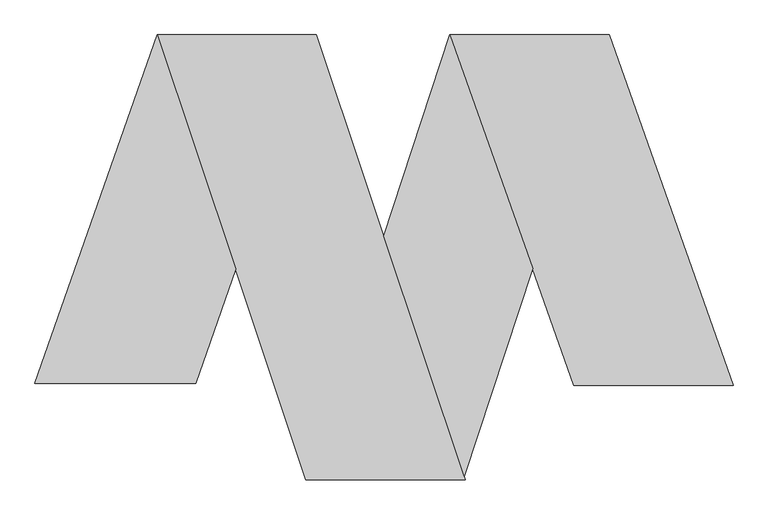
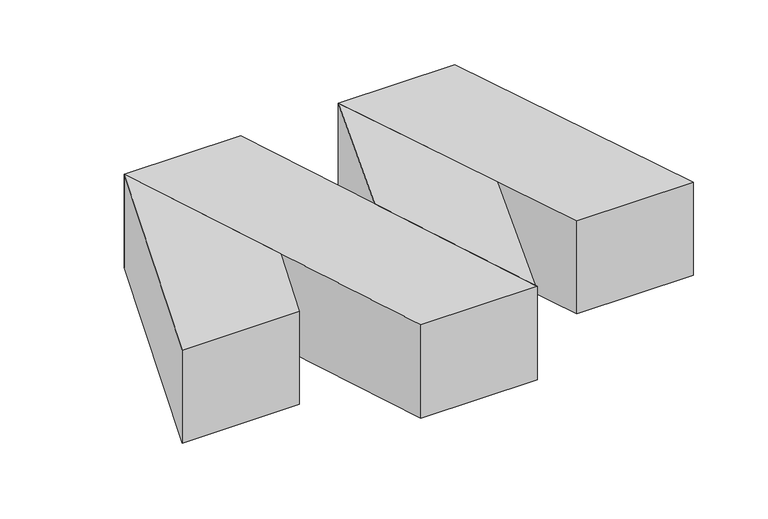
"""IFC4 building model written with IfcOpenShell, lengths in millimetres: proxy geometry."""

from ifc_helpers import new_model, si_unit, origin, origin_with_axes, place, context, project, spatial, polyline, outline, extrude, source, transform, mapped, element, save


def generic_models_94b8942a(model_context):
    return source(origin(), model_context, "Body", "SweptSolid", [
        extrude(outline(polyline([(-10915.7739026, 15998.3383382), (-10689.0005865, 16644.7119632), (-10543.8778094, 16210.0071963), (-10618.1395785, 15998.3383382), (-10915.7739026, 15998.3383382)])), origin_with_axes(), (0.0, 0.0, 1.0), 250.0),
        extrude(outline(polyline([(-10146.596631, 16644.7119632), (-9993.4563363, 16210.951603), (-10120.498078, 15825.4550101), (-10269.4989073, 16271.7762013), (-10146.596631, 16644.7119632)])), origin_with_axes(), (0.0, 0.0, 1.0), 250.0),
        extrude(outline(polyline([(-10689.0005865, 16644.7119632), (-10394.0005865, 16644.7119632), (-10118.5045526, 15819.4835492), (-10413.5045526, 15819.4835492), (-10689.0005865, 16644.7119632)])), origin_with_axes(), (0.0, 0.0, 1.0), 250.0),
        extrude(outline(polyline([(-10146.596631, 16644.7119632), (-9851.596631, 16644.7119632), (-9621.8861889, 15994.0714229), (-9916.8861889, 15994.0714229), (-10146.596631, 16644.7119632)])), origin_with_axes(), (0.0, 0.0, 1.0), 250.0),
    ])


if __name__ == "__main__":
    model = new_model("IFC4")
    model_context = context("Model", 3, world=origin())
    ifc_project = project(units=[si_unit("LENGTHUNIT", "METRE", prefix="MILLI")], contexts=[model_context])
    site = spatial("IfcSite", under=ifc_project)
    building = spatial("IfcBuilding", under=site)
    placement = place(None, origin())
    generic_models_shape = generic_models_94b8942a(model_context)
    element("IfcBuildingElementProxy", 1, Name="Generic Models", at=placement, inside=building, context=model_context, shape_type="MappedRepresentation", body=[
        mapped(generic_models_shape, transform((0.0, 0.0, 0.0), x_axis=(1.0, 0.0, 0.0), y_axis=(0.0, 1.0, 0.0), z_axis=(0.0, 0.0, 1.0))),
    ])
    save(model, "model.ifc")
